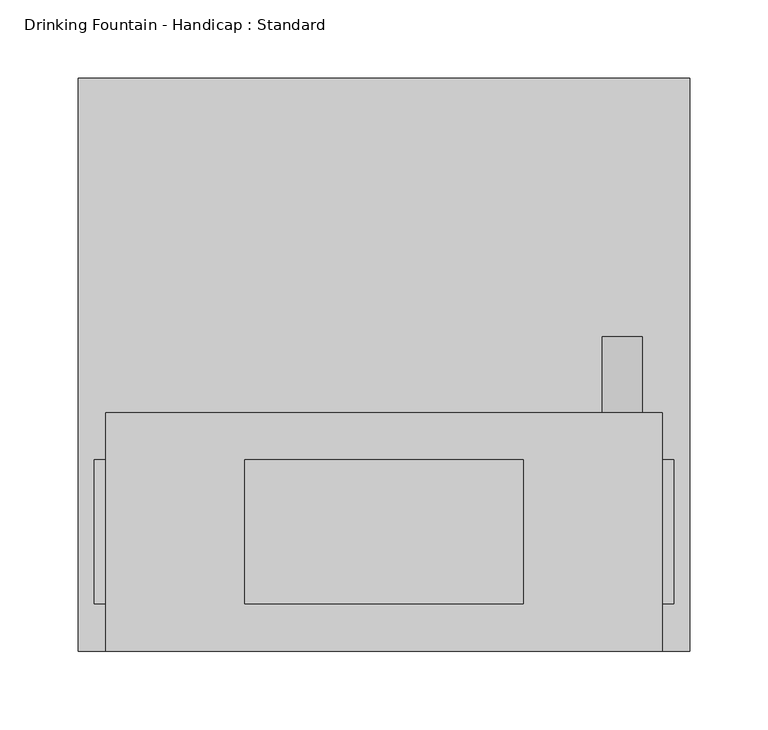
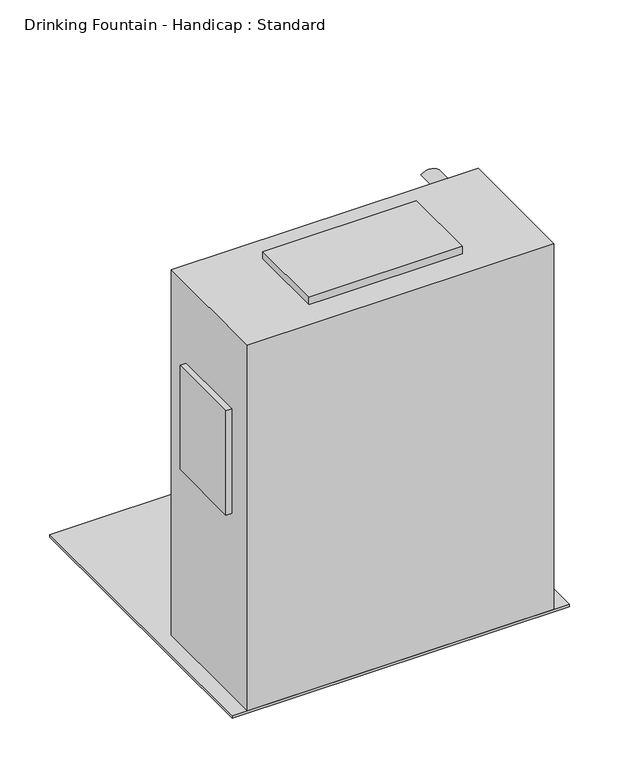
"""IFC4 building model written with IfcOpenShell, lengths in millimetres: flow terminal geometry, Drinking Fountain - Handicap : Standard."""

from ifc_helpers import new_model, si_unit, point, frame, frame_2d, origin, origin_with_axes, place, context, project, spatial, polyline, circle_curve, trimmed, segment, composite_curve, outline, extrude, source, transform, mapped, element, save
from ifc_brep_helpers import plane_surface, revolved_surface, advanced_brep


def drinking_fountain_handicap_standard_fbed446a(model_context):
    return source(origin(), model_context, "Body", "SolidModel", [
        extrude(outline(composite_curve([segment(trimmed(circle_curve(frame_2d((180.975, -107.95)), 12.7), [point((180.975, -120.65))], [point((180.975, -95.25))], False, "CARTESIAN"), True, "CONTINUOUS"), segment(trimmed(circle_curve(frame_2d((180.975, -107.95)), 12.7), [point((180.975, -95.25))], [point((180.975, -120.65))], False, "CARTESIAN"), True, "CONTINUOUS")], self_intersect=False)), frame((0.0, -64.29375, 0.0), z_axis=(0.0, 1.0, 0.0), x_axis=(0.0, 0.0, 1.0)), (0.0, 0.0, 1.0), 3.175),
        advanced_brep(
        [(-177.8, -152.4, 3.175), (177.8, -152.4, 3.175), (177.8, -152.4, 450.85), (-177.8, -152.4, 450.85), (-177.8, 0.0, 3.175), (-177.8, 0.0, 450.85), (177.8, 0.0, 450.85), (177.8, 0.0, 3.175), (-149.225, 0.0, 414.3375), (-149.225, 0.0, 139.7), (149.225, 0.0, 139.7), (149.225, 0.0, 377.825), (120.65, 0.0, 377.825), (120.65, 0.0, 414.3375), (120.65, -61.11875, 414.3375), (-149.225, -61.11875, 414.3375), (120.65, -61.11875, 377.825), (149.225, -61.11875, 377.825), (149.225, -61.11875, 139.7), (-149.225, -61.11875, 139.7), (-120.65, -61.11875, 180.975), (-95.25, -61.11875, 180.975), (-120.65, -64.29375, 180.975), (-95.25, -64.29375, 180.975)],
        [
            (0, 1),
            (1, 2),
            (2, 3),
            (3, 0),
            (4, 5),
            (5, 6),
            (6, 7),
            (7, 4),
            (8, 9),
            (9, 10),
            (10, 11),
            (11, 12),
            (12, 13),
            (13, 8),
            (0, 4),
            (7, 1),
            (6, 2),
            (5, 3),
            (13, 14),
            (14, 15),
            (15, 8),
            (12, 16),
            (16, 14),
            (11, 17),
            (17, 16),
            (10, 18),
            (18, 17),
            (9, 19),
            (19, 18),
            (15, 19),
            (20, 21, circle_curve(frame((-107.95, -61.11875, 180.975), z_axis=(0.0, -1.0, 0.0), x_axis=(1.0, 0.0, 0.0)), 12.7)),
            (21, 20, circle_curve(frame((-107.95, -61.11875, 180.975), z_axis=(0.0, -1.0, 0.0), x_axis=(1.0, 0.0, 0.0)), 12.7)),
            (22, 23, circle_curve(frame((-107.95, -64.29375, 180.975), z_axis=(0.0, 1.0, 0.0), x_axis=(1.0, 0.0, 0.0)), 12.7)),
            (23, 22, circle_curve(frame((-107.95, -64.29375, 180.975), z_axis=(0.0, 1.0, 0.0), x_axis=(1.0, 0.0, 0.0)), 12.7)),
            (23, 21),
            (20, 22),
        ],
        [
            plane_surface(frame((177.8, -152.4, 3.175), z_axis=(0.0, -1.0, 0.0), x_axis=(1.0, 0.0, 0.0))),
            plane_surface(frame((177.8, 0.0, 3.175), z_axis=(0.0, 1.0, 0.0), x_axis=(-1.0, 0.0, 0.0))),
            plane_surface(frame((-177.8, -152.4, 3.175), z_axis=(0.0, 0.0, -1.0), x_axis=(0.0, 1.0, 0.0))),
            plane_surface(frame((177.8, -152.4, 3.175), z_axis=(1.0, 0.0, 0.0), x_axis=(0.0, 1.0, 0.0))),
            plane_surface(frame((177.8, -152.4, 450.85), z_axis=(0.0, 0.0, 1.0), x_axis=(0.0, 1.0, 0.0))),
            plane_surface(frame((-177.8, -152.4, 450.85), z_axis=(-1.0, 0.0, 0.0), x_axis=(0.0, 1.0, 0.0))),
            plane_surface(frame((-149.225, -152.4, 414.3375), z_axis=(0.0, 0.0, -1.0), x_axis=(0.0, 1.0, 0.0))),
            plane_surface(frame((120.65, -152.4, 414.3375), z_axis=(-1.0, 0.0, 0.0), x_axis=(0.0, 1.0, 0.0))),
            plane_surface(frame((120.65, -152.4, 377.825), z_axis=(0.0, 0.0, -1.0), x_axis=(0.0, 1.0, 0.0))),
            plane_surface(frame((149.225, -152.4, 377.825), z_axis=(-1.0, 0.0, 0.0), x_axis=(0.0, 1.0, 0.0))),
            plane_surface(frame((149.225, -152.4, 139.7), z_axis=(0.0, 0.0, 1.0), x_axis=(0.0, 1.0, 0.0))),
            plane_surface(frame((-149.225, -152.4, 139.7), z_axis=(1.0, 0.0, 0.0), x_axis=(0.0, 1.0, 0.0))),
            plane_surface(frame((149.225, -61.11875, 139.7), z_axis=(0.0, 1.0, 0.0), x_axis=(-1.0, 0.0, 0.0))),
            plane_surface(frame((-95.25, -64.29375, 180.975), z_axis=(0.0, 1.0, 0.0), x_axis=(0.0, 0.0, 1.0))),
            revolved_surface(polyline([(-95.25, -64.29375, 180.975), (-95.25, -61.11875, 180.975)]), (-107.95, -61.11875, 180.975), (0.0, -1.0, 0.0)),
        ],
        [
            (0, [[1, 2, 3, 4]]),
            (1, [[5, 6, 7, 8], [9, 10, 11, 12, 13, 14]]),
            (2, [[-1, 15, -8, 16]]),
            (3, [[-2, -16, -7, 17]]),
            (4, [[-3, -17, -6, 18]]),
            (5, [[-4, -18, -5, -15]]),
            (6, [[-14, 19, 20, 21]]),
            (7, [[-13, 22, 23, -19]]),
            (8, [[-12, 24, 25, -22]]),
            (9, [[-11, 26, 27, -24]]),
            (10, [[-10, 28, 29, -26]]),
            (11, [[-9, -21, 30, -28]]),
            (12, [[-20, -23, -25, -27, -29, -30], [31, 32]]),
            (13, [[33, 34]]),
            (14, [[-34, 35, -31, 36]]),
            (14, [[-33, -36, -32, -35]]),
        ],
    ),
        extrude(outline(polyline([(195.2625, 213.51875), (195.2625, -152.4), (-195.2625, -152.4), (-195.2625, 213.51875), (195.2625, 213.51875)])), origin_with_axes(), (0.0, 0.0, 1.0), 3.175),
        extrude(outline(polyline([(-177.8, -122.2375), (-184.94375, -122.2375), (-184.94375, -30.1625), (-177.8, -30.1625), (-177.8, -122.2375)])), frame((0.0, 0.0, 227.0125), z_axis=(0.0, 0.0, 1.0), x_axis=(1.0, 0.0, 0.0)), (0.0, 0.0, 1.0), 127.79375),
        extrude(outline(polyline([(88.9, -122.2375), (-88.9, -122.2375), (-88.9, -30.1625), (88.9, -30.1625), (88.9, -122.2375)])), frame((0.0, 0.0, 450.85), z_axis=(0.0, 0.0, 1.0), x_axis=(1.0, 0.0, 0.0)), (0.0, 0.0, 1.0), 9.525),
        extrude(outline(polyline([(184.94375, -122.2375), (177.8, -122.2375), (177.8, -30.1625), (184.94375, -30.1625), (184.94375, -122.2375)])), frame((0.0, 0.0, 227.0125), z_axis=(0.0, 0.0, 1.0), x_axis=(1.0, 0.0, 0.0)), (0.0, 0.0, 1.0), 127.79375),
        extrude(outline(composite_curve([segment(polyline([(426.8391419, 139.4411063), (401.8358581, 159.0088937)]), True, "CONTINUOUS"), segment(trimmed(circle_curve(frame_2d((414.3375, 149.225)), 15.875), [point((401.8358581, 159.0088937))], [point((426.8391419, 139.4411063))], False, "CARTESIAN"), True, "CONTINUOUS")], self_intersect=False)), frame((0.0, 0.0, 0.0), z_axis=(0.0, 1.0, 0.0), x_axis=(0.0, 0.0, 1.0)), (0.0, 0.0, 1.0), 48.41875),
        extrude(outline(composite_curve([segment(trimmed(circle_curve(frame_2d((101.6, -91.28125)), 6.35), [point((95.25, -91.28125))], [point((107.95, -91.28125))], False, "CARTESIAN"), True, "CONTINUOUS"), segment(trimmed(circle_curve(frame_2d((101.6, -91.28125)), 6.35), [point((107.95, -91.28125))], [point((95.25, -91.28125))], False, "CARTESIAN"), True, "CONTINUOUS")], self_intersect=False)), origin_with_axes(), (0.0, 0.0, 1.0), 3.175),
        extrude(outline(composite_curve([segment(trimmed(circle_curve(frame_2d((-101.6, -127.0)), 10.0322459), [point((-111.6322459, -127.0))], [point((-91.5677541, -127.0))], False, "CARTESIAN"), True, "CONTINUOUS"), segment(trimmed(circle_curve(frame_2d((-101.6, -127.0)), 10.0322459), [point((-91.5677541, -127.0))], [point((-111.6322459, -127.0))], False, "CARTESIAN"), True, "CONTINUOUS")], self_intersect=False)), origin_with_axes(), (0.0, 0.0, 1.0), 3.175),
    ])


if __name__ == "__main__":
    model = new_model("IFC4")
    model_context = context("Model", 3, world=origin())
    ifc_project = project(units=[si_unit("LENGTHUNIT", "METRE", prefix="MILLI")], contexts=[model_context])
    site = spatial("IfcSite", under=ifc_project)
    building = spatial("IfcBuilding", under=site)
    placement = place(None, origin())
    drinking_fountain_handicap_standard_shape = drinking_fountain_handicap_standard_fbed446a(model_context)
    element("IfcFlowTerminal", 1, ObjectType="Drinking Fountain - Handicap : Standard", at=placement, inside=building, context=model_context, shape_type="MappedRepresentation", body=[
        mapped(drinking_fountain_handicap_standard_shape, transform((0.0, 0.0, 0.0), x_axis=(1.0, 0.0, 0.0), y_axis=(0.0, 1.0, 0.0), z_axis=(0.0, 0.0, 1.0))),
    ])
    save(model, "model.ifc")
